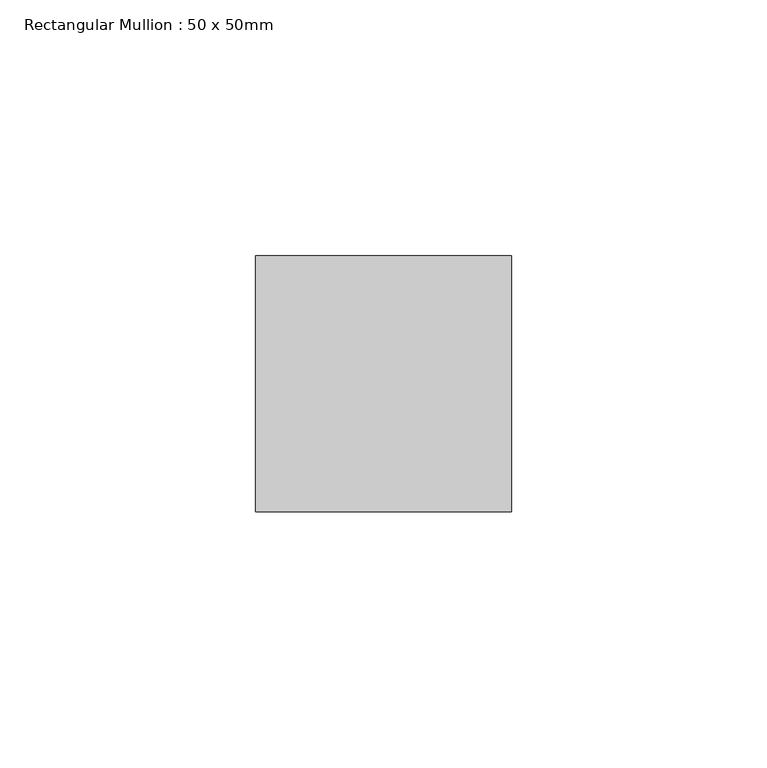
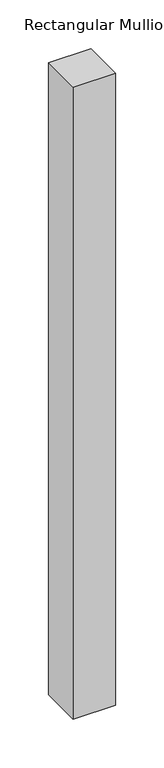
"""IFC4 building model written with IfcOpenShell, lengths in millimetres: member geometry, Rectangular Mullion : 50 x 50mm."""

from ifc_helpers import new_model, si_unit, frame, origin, place, context, project, spatial, polyline, outline, extrude, source, transform, mapped, element, save


def rectangular_mullion_50_x_50mm_ece8d338(model_context):
    return source(origin(), model_context, "Body", "SweptSolid", [
        extrude(outline(polyline([(25.0, 50.0), (25.0, 0.0), (-25.0, 0.0), (-25.0, 50.0), (25.0, 50.0)])), frame((0.0, 0.0, -790.0), z_axis=(0.0, 0.0, 1.0), x_axis=(1.0, 0.0, 0.0)), (0.0, 0.0, 1.0), 790.0),
    ])


if __name__ == "__main__":
    model = new_model("IFC4")
    model_context = context("Model", 3, world=origin())
    ifc_project = project(units=[si_unit("LENGTHUNIT", "METRE", prefix="MILLI")], contexts=[model_context])
    site = spatial("IfcSite", under=ifc_project)
    building = spatial("IfcBuilding", under=site)
    placement = place(None, origin())
    rectangular_mullion_50_x_50mm_shape = rectangular_mullion_50_x_50mm_ece8d338(model_context)
    element("IfcMember", 1, ObjectType="Rectangular Mullion : 50 x 50mm", at=placement, inside=building, context=model_context, shape_type="MappedRepresentation", body=[
        mapped(rectangular_mullion_50_x_50mm_shape, transform((0.0, 0.0, 0.0), x_axis=(1.0, 0.0, 0.0), y_axis=(0.0, 1.0, 0.0), z_axis=(0.0, 0.0, 1.0))),
    ])
    save(model, "model.ifc")
